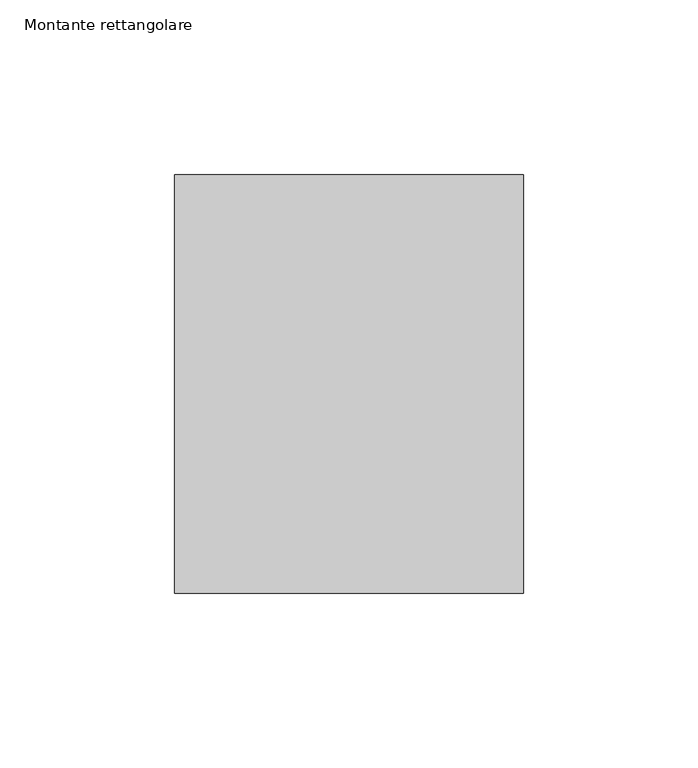
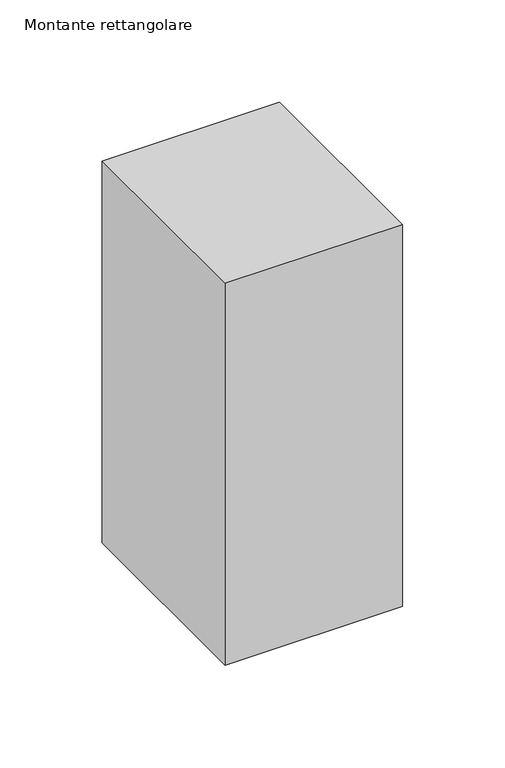
"""IFC4 building model written with IfcOpenShell, lengths in millimetres: member geometry, Montante rettangolare."""

from ifc_helpers import new_model, si_unit, frame, origin, place, context, project, spatial, polyline, outline, extrude, source, transform, mapped, element, save


def montante_rettangolare_225f9065(model_context):
    return source(origin(), model_context, "Body", "SweptSolid", [
        extrude(outline(polyline([(50.0, 60.0), (50.0, -60.0), (-50.0, -60.0), (-50.0, 60.0), (50.0, 60.0)])), frame((0.0, 0.0, -227.7200616), z_axis=(0.0, 0.0, 1.0), x_axis=(1.0, 0.0, 0.0)), (0.0, 0.0, 1.0), 227.7200616),
    ])


if __name__ == "__main__":
    model = new_model("IFC4")
    model_context = context("Model", 3, world=origin())
    ifc_project = project(units=[si_unit("LENGTHUNIT", "METRE", prefix="MILLI")], contexts=[model_context])
    site = spatial("IfcSite", under=ifc_project)
    building = spatial("IfcBuilding", under=site)
    placement = place(None, origin())
    montante_rettangolare_shape = montante_rettangolare_225f9065(model_context)
    element("IfcMember", 1, ObjectType="Montante rettangolare", at=placement, inside=building, context=model_context, shape_type="MappedRepresentation", body=[
        mapped(montante_rettangolare_shape, transform((0.0, 0.0, 0.0), x_axis=(1.0, 0.0, 0.0), y_axis=(0.0, 1.0, 0.0), z_axis=(0.0, 0.0, 1.0))),
    ])
    save(model, "model.ifc")
